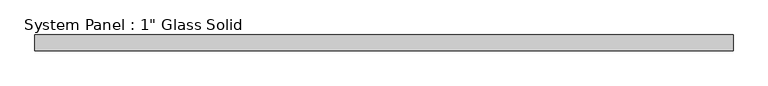
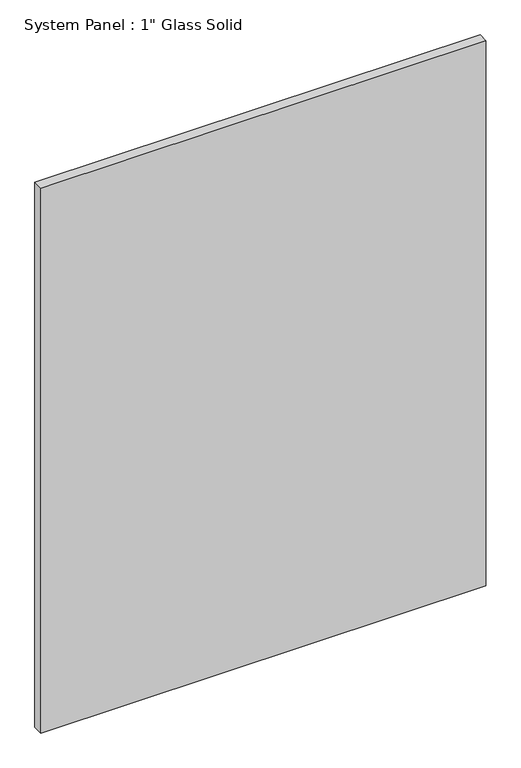
"""IFC4 building model written with IfcOpenShell, lengths in millimetres: plate geometry."""

from ifc_helpers import new_model, si_unit, origin, origin_with_axes, place, context, project, spatial, polyline, outline, extrude, source, transform, mapped, element, save


def plate_3dee9931(model_context):
    return source(origin(), model_context, "Body", "SweptSolid", [
        extrude(outline(polyline([(561.3970691, -12.7), (-561.3970691, -12.7), (-561.3970691, 12.7), (561.3970691, 12.7), (561.3970691, -12.7)])), origin_with_axes(), (0.0, 0.0, 1.0), 1452.8817704),
    ])


if __name__ == "__main__":
    model = new_model("IFC4")
    model_context = context("Model", 3, world=origin())
    ifc_project = project(units=[si_unit("LENGTHUNIT", "METRE", prefix="MILLI")], contexts=[model_context])
    site = spatial("IfcSite", under=ifc_project)
    building = spatial("IfcBuilding", under=site)
    placement = place(None, origin())
    plate_shape = plate_3dee9931(model_context)
    element("IfcPlate", 1, ObjectType="System Panel : 1\" Glass Solid", at=placement, inside=building, context=model_context, shape_type="MappedRepresentation", body=[
        mapped(plate_shape, transform((0.0, 0.0, 0.0), x_axis=(1.0, 0.0, 0.0), y_axis=(0.0, 1.0, 0.0), z_axis=(0.0, 0.0, 1.0))),
    ])
    save(model, "model.ifc")
